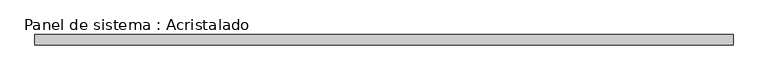
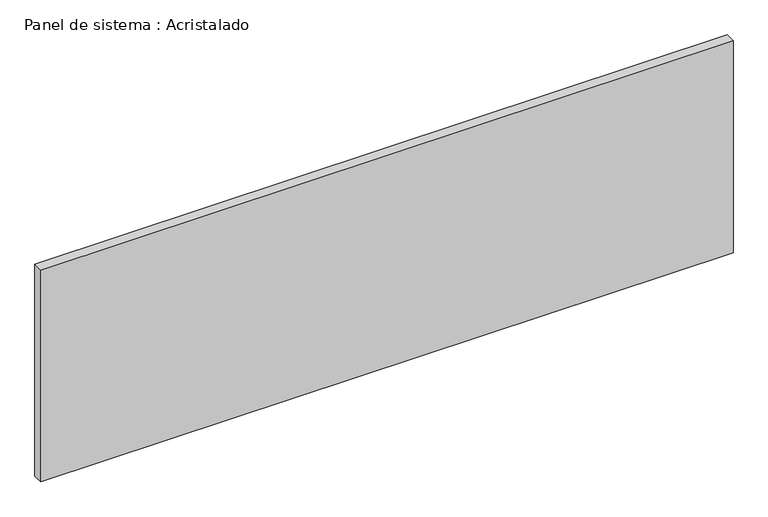
"""IFC4 building model written with IfcOpenShell, lengths in millimetres: plate geometry, Panel de sistema : Acristalado."""

import ifcopenshell
import ifcopenshell.guid

model = None  # the IFC model being written
_history = None  # IfcOwnerHistory: only IFC2X3 demands one
_inside = {}  # id of a spatial element -> (the spatial element, [elements in it])
_under = {}  # id of a project, library or spatial element -> (it, [spatial elements below it])
_declared = {}  # id of a project -> (the project, [libraries it declares])
_typed = {}  # id of a type object -> (the type object, [elements of that type])
_made_of = {}  # id of a material, layer set ... -> (it, [elements and type objects made of it])


def new_model(schema):
    """Start an empty IFC model of exactly this schema.

    Asked for "IFC4X3", IfcOpenShell would pick the latest addendum, in which some entities
    have other attributes; the version numbers below select the first issue.
    IFC2X3 requires an IfcOwnerHistory on every rooted entity: one is made here for all.
    """
    global model, _history
    if schema == "IFC4X3":
        model = ifcopenshell.file(schema_version=(4, 3, 0, 0))
    else:
        model = ifcopenshell.file(schema=schema)
    _inside.clear()
    _under.clear()
    _declared.clear()
    _typed.clear()
    _made_of.clear()
    _history = None
    if model.schema == "IFC2X3":
        org = make("IfcOrganization", Name="unknown")
        user = make(
            "IfcPersonAndOrganization",
            ThePerson=make("IfcPerson", FamilyName="unknown"),
            TheOrganization=org,
        )
        app = make(
            "IfcApplication",
            ApplicationDeveloper=org,
            Version="unknown",
            ApplicationFullName="unknown",
            ApplicationIdentifier="unknown",
        )
        _history = make(
            "IfcOwnerHistory",
            OwningUser=user,
            OwningApplication=app,
            ChangeAction="ADDED",
            CreationDate=0,
        )
    return model


def make(cls, **values):
    """One entity of the class cls with the attributes given. An attribute that is None is left unset."""
    return model.create_entity(
        cls, **{name: value for name, value in values.items() if value is not None}
    )


def rooted(cls, **values):
    """An entity with a GlobalId (a new one), such as an element, a storey or a relation."""
    return make(cls, GlobalId=ifcopenshell.guid.new(), OwnerHistory=_history, **values)


def si_unit(unit_type, name, prefix=None):
    """IfcSIUnit, for example si_unit("LENGTHUNIT", "METRE", prefix="MILLI")."""
    return make("IfcSIUnit", UnitType=unit_type, Prefix=prefix, Name=name)


def assignment(units):
    """IfcUnitAssignment: the units of a project."""
    return None if units is None else make("IfcUnitAssignment", Units=units)


def point(xyz):
    """IfcCartesianPoint."""
    return None if xyz is None else make("IfcCartesianPoint", Coordinates=xyz)


def direction(xyz):
    """IfcDirection."""
    return None if xyz is None else make("IfcDirection", DirectionRatios=xyz)


def frame(location, z_axis=None, x_axis=None):
    """IfcAxis2Placement3D, a coordinate frame: its origin and axes. An axis left out is left unset."""
    return make(
        "IfcAxis2Placement3D",
        Location=point(location),
        Axis=direction(z_axis),
        RefDirection=direction(x_axis),
    )


def origin():
    """The frame at (0, 0, 0) with its axes left unset."""
    return frame((0.0, 0.0, 0.0))


def origin_with_axes():
    """The frame at (0, 0, 0) with the z axis (0, 0, 1) and the x axis (1, 0, 0) written out."""
    return frame((0.0, 0.0, 0.0), z_axis=(0.0, 0.0, 1.0), x_axis=(1.0, 0.0, 0.0))


def place(relative_to, where):
    """IfcLocalPlacement: puts the frame where relative to a parent placement (None: the world)."""
    return make(
        "IfcLocalPlacement", PlacementRelTo=relative_to, RelativePlacement=where
    )


def context(
    kind, dimensions, precision=None, world=None, true_north=None, identifier=None
):
    """IfcGeometricRepresentationContext, for example the 3D "Model" context."""
    return make(
        "IfcGeometricRepresentationContext",
        ContextIdentifier=identifier,
        ContextType=kind,
        CoordinateSpaceDimension=dimensions,
        Precision=precision,
        WorldCoordinateSystem=world,
        TrueNorth=true_north,
    )


def project(units=None, contexts=None):
    """IfcProject with its units and contexts."""
    return rooted(
        "IfcProject",
        Name="project",
        RepresentationContexts=contexts,
        UnitsInContext=assignment(units),
    )


def spatial(cls, under=None, at=None, **own):
    """A site, building, storey or space (cls), placed at a placement, below another one or the project."""
    s = rooted(cls, ObjectPlacement=at, **own)
    if under is not None:
        _under.setdefault(under.id(), (under, []))[1].append(s)
    return s


def polyline(points):
    """IfcPolyline through the points."""
    return make("IfcPolyline", Points=[point(p) for p in points])


def outline(outer, holes=None, kind="AREA"):
    """IfcArbitraryClosedProfileDef: a profile drawn as a closed curve; with holes, ...WithVoids."""
    if holes is None:
        return make("IfcArbitraryClosedProfileDef", ProfileType=kind, OuterCurve=outer)
    return make(
        "IfcArbitraryProfileDefWithVoids",
        ProfileType=kind,
        OuterCurve=outer,
        InnerCurves=holes,
    )


def extrude(swept, where, along, depth):
    """IfcExtrudedAreaSolid: the profile swept, set in the frame where, extruded along a direction by depth."""
    return make(
        "IfcExtrudedAreaSolid",
        SweptArea=swept,
        Position=where,
        ExtrudedDirection=direction(along),
        Depth=depth,
    )


def shape(context_of_items, identifier, shape_type, items):
    """IfcShapeRepresentation: the items that make up one representation, for example the "Body"."""
    return make(
        "IfcShapeRepresentation",
        ContextOfItems=context_of_items,
        RepresentationIdentifier=identifier,
        RepresentationType=shape_type,
        Items=items,
    )


def source(mapping_origin, context_of_items, identifier, shape_type, items):
    """IfcRepresentationMap: a shape defined once, which mapped items show again and again."""
    return make(
        "IfcRepresentationMap",
        MappingOrigin=mapping_origin,
        MappedRepresentation=shape(context_of_items, identifier, shape_type, items),
    )


def transform(
    local_origin,
    x_axis=None,
    y_axis=None,
    z_axis=None,
    scale=None,
    scale2=None,
    scale3=None,
    uniform=True,
):
    """IfcCartesianTransformationOperator3D, or its non-uniform kind. x_axis, y_axis, z_axis: its Axis1, 2, 3."""
    if uniform:
        return make(
            "IfcCartesianTransformationOperator3D",
            Axis1=direction(x_axis),
            Axis2=direction(y_axis),
            LocalOrigin=point(local_origin),
            Scale=scale,
            Axis3=direction(z_axis),
        )
    return make(
        "IfcCartesianTransformationOperator3DnonUniform",
        Axis1=direction(x_axis),
        Axis2=direction(y_axis),
        LocalOrigin=point(local_origin),
        Scale=scale,
        Axis3=direction(z_axis),
        Scale2=scale2,
        Scale3=scale3,
    )


def mapped(mapping_source, mapping_target):
    """IfcMappedItem: shows the shape of a source again, moved by a transform."""
    return make(
        "IfcMappedItem", MappingSource=mapping_source, MappingTarget=mapping_target
    )


def made_of(thing, what):
    """Note that an element or type object is made of a material, layer set ...; save() writes the relation."""
    if what is not None:
        _made_of.setdefault(what.id(), (what, []))[1].append(thing)
    return thing


def element(
    cls,
    number,
    at=None,
    inside=None,
    cuts=None,
    type_object=None,
    material=None,
    context=None,
    identifier="Body",
    shape_type=None,
    held_by="IfcProductDefinitionShape",
    body=None,
    shapes=None,
    **own,
):
    """One element of the class cls, such as IfcWall. Its Tag is "e" and its number.

    at: its placement. inside: the storey or other place that contains it. cuts: it is an
    opening in that element (IfcRelVoidsElement). A single representation is given by context,
    identifier, shape_type and body (its items); several are given by shapes. held_by: the class
    of the entity that holds the representations. save() writes the other relations.
    """
    e = rooted(cls, Tag="e%d" % number, ObjectPlacement=at, **own)
    if body is not None:
        shapes = [shape(context, identifier, shape_type, body)]
    if shapes is not None:
        e.Representation = make(held_by, Representations=shapes)
    if inside is not None:
        _inside.setdefault(inside.id(), (inside, []))[1].append(e)
    if cuts is not None:
        rooted(
            "IfcRelVoidsElement", RelatingBuildingElement=cuts, RelatedOpeningElement=e
        )
    if type_object is not None:
        _typed.setdefault(type_object.id(), (type_object, []))[1].append(e)
    return made_of(e, material)


def aggregate(whole, parts):
    """IfcRelAggregates: a whole, such as a stair, and the parts it consists of."""
    return rooted("IfcRelAggregates", RelatingObject=whole, RelatedObjects=parts)


def save(model, path):
    """Write the relations noted so far, then the file.

    IfcRelAggregates (storeys below a building ...), IfcRelContainedInSpatialStructure (elements
    in a storey), IfcRelDefinesByType, IfcRelAssociatesMaterial and IfcRelDeclares: one each for
    every whole, place, type object, material and project.
    """
    for whole, parts in _under.values():
        aggregate(whole, parts)
    for where, things in _inside.values():
        rooted(
            "IfcRelContainedInSpatialStructure",
            RelatedElements=things,
            RelatingStructure=where,
        )
    for kind, things in _typed.values():
        rooted("IfcRelDefinesByType", RelatedObjects=things, RelatingType=kind)
    for what, things in _made_of.values():
        rooted("IfcRelAssociatesMaterial", RelatedObjects=things, RelatingMaterial=what)
    for by, libraries in _declared.values():
        rooted("IfcRelDeclares", RelatingContext=by, RelatedDefinitions=libraries)
    model.write(path)


def panel_de_sistema_acristalado_7adc112a(model_context):
    return source(origin(), model_context, "Body", "SweptSolid", [
        extrude(outline(polyline([(662.75, -10.0), (-662.75, -10.0), (-662.75, 10.0), (662.75, 10.0), (662.75, -10.0)])), origin_with_axes(), (0.0, 0.0, 1.0), 429.0),
    ])


if __name__ == "__main__":
    model = new_model("IFC4")
    model_context = context("Model", 3, world=origin())
    ifc_project = project(units=[si_unit("LENGTHUNIT", "METRE", prefix="MILLI")], contexts=[model_context])
    site = spatial("IfcSite", under=ifc_project)
    building = spatial("IfcBuilding", under=site)
    placement = place(None, origin())
    panel_de_sistema_acristalado_shape = panel_de_sistema_acristalado_7adc112a(model_context)
    element("IfcPlate", 1, ObjectType="Panel de sistema : Acristalado", at=placement, inside=building, context=model_context, shape_type="MappedRepresentation", body=[
        mapped(panel_de_sistema_acristalado_shape, transform((0.0, 0.0, 0.0), x_axis=(1.0, 0.0, 0.0), y_axis=(0.0, 1.0, 0.0), z_axis=(0.0, 0.0, 1.0))),
    ])
    save(model, "model.ifc")
